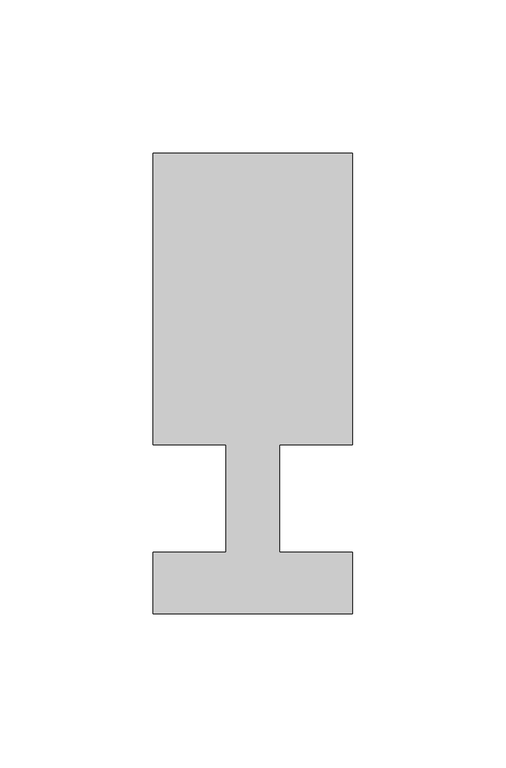
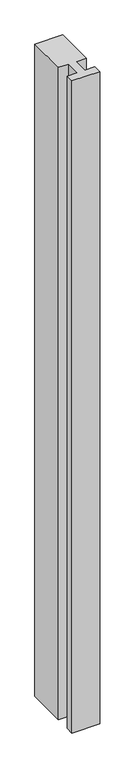
"""IFC4 building model written with IfcOpenShell, lengths in millimetres: member geometry."""

from ifc_helpers import new_model, si_unit, frame, origin, place, context, project, spatial, polyline, outline, extrude, source, transform, mapped, element, save


def member_ca9d6cb9(model_context):
    return source(origin(), model_context, "Body", "SweptSolid", [
        extrude(outline(polyline([(-32.5, -37.0), (-32.5, -17.0), (-8.6875, -17.0), (-8.6875, 18.0), (-32.5, 18.0), (-32.5, 113.0), (32.5, 113.0), (32.5, 18.0), (8.6875, 18.0), (8.6875, -17.0), (32.5, -17.0), (32.5, -37.0), (-32.5, -37.0)])), frame((0.0, 0.0, -1611.1875), z_axis=(0.0, 0.0, 1.0), x_axis=(1.0, 0.0, 0.0)), (0.0, 0.0, 1.0), 1611.1875),
    ])


if __name__ == "__main__":
    model = new_model("IFC4")
    model_context = context("Model", 3, world=origin())
    ifc_project = project(units=[si_unit("LENGTHUNIT", "METRE", prefix="MILLI")], contexts=[model_context])
    site = spatial("IfcSite", under=ifc_project)
    building = spatial("IfcBuilding", under=site)
    placement = place(None, origin())
    member_shape = member_ca9d6cb9(model_context)
    element("IfcMember", 1, at=placement, inside=building, context=model_context, shape_type="MappedRepresentation", body=[
        mapped(member_shape, transform((0.0, 0.0, 0.0), x_axis=(1.0, 0.0, 0.0), y_axis=(0.0, 1.0, 0.0), z_axis=(0.0, 0.0, 1.0))),
    ])
    save(model, "model.ifc")
